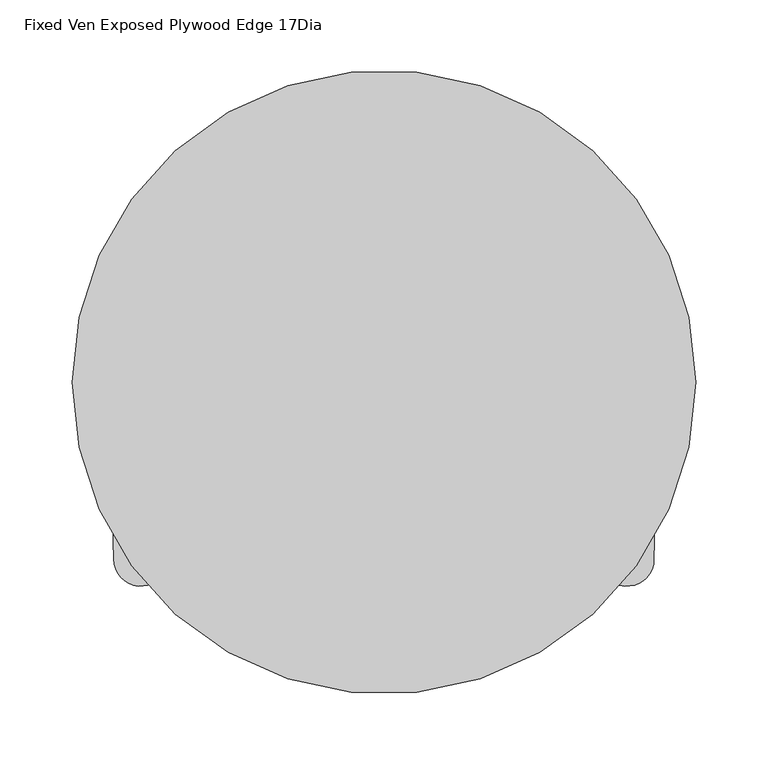
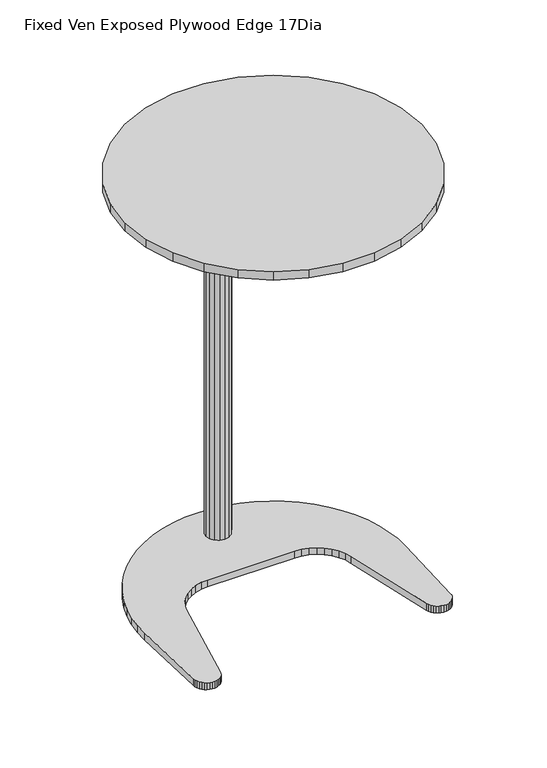
"""IFC4 building model written with IfcOpenShell, lengths in millimetres: furniture geometry, Fixed Ven Exposed Plywood Edge 17Dia."""

from ifc_helpers import new_model, si_unit, frame, origin, origin_with_axes, place, context, project, spatial, polyline, outline, extrude, source, transform, mapped, element, save


def fixed_ven_exposed_plywood_edge_17dia_f3066165(model_context):
    return source(origin(), model_context, "Body", "SweptSolid", [
        extrude(outline(polyline([(-149.8671059, -126.3234939), (-150.8992195, -129.521818), (-152.5209955, -132.5392664), (-154.6897222, -135.2420538), (-157.3189766, -137.5155615), (-160.2753551, -139.246179), (-163.4498161, -140.409362), (-166.7207647, -140.9483825), (-170.080298, -140.9617084), (-173.5167343, -140.3426509), (-176.7647555, -139.0607161), (-179.6814743, -137.2641415), (-181.992404, -135.2772922), (-184.3368587, -132.2226251), (-185.9202832, -129.1283645), (-186.8986028, -125.8453436), (-187.2867514, -122.3765601), (-190.3496821, -4.6115352), (-189.8901898, 14.2613479), (-187.6979683, 32.4082451), (-183.1783539, 52.2501283), (-177.4118091, 69.5357992), (-169.6089787, 86.8772552), (-160.1246012, 103.3056947), (-149.0664825, 118.7166454), (-136.508946, 132.9782204), (-122.3697018, 145.7873949), (-107.4059713, 157.4405354), (-91.2014099, 167.3806626), (-74.0827101, 175.6340469), (-56.2270821, 182.1176083), (-37.81398, 186.8126342), (-18.988084, 189.6780662), (0.5119749, 190.5716342), (18.9299367, 189.6762857), (37.7224772, 186.822808), (56.1368215, 182.13276), (73.9687227, 175.6445841), (91.0169372, 167.1567301), (107.071217, 157.3533859), (122.2800452, 145.7296223), (136.3462106, 133.1030038), (148.9690048, 118.821926), (160.0604881, 103.3756123), (169.5508245, 86.9104836), (177.3532916, 69.5815858), (183.3901324, 51.5615284), (187.3279371, 33.1228556), (189.7813847, 14.3179873), (190.1318357, -4.8405436), (186.9182237, -122.5865945), (186.8453009, -125.9547794), (185.7964535, -129.3312591), (184.1832889, -132.3981867), (181.7765516, -135.4621215), (179.6549861, -137.3634814), (176.7145951, -139.164398), (173.4871576, -140.4107336), (170.1668479, -140.9493999), (166.6754186, -140.9974529), (162.872691, -140.2900424), (160.0711524, -139.2664902), (157.1517448, -137.5070955), (154.558898, -135.2497659), (152.3797887, -132.5480595), (150.7550877, -129.506748), (149.7653225, -126.204951), (119.3579737, 11.0523876), (116.438373, 20.4984581), (112.0049093, 29.1621735), (106.2797683, 36.8046916), (99.3454259, 43.4445003), (91.2042077, 48.9570953), (82.3097106, 52.9223511), (72.9862836, 55.3198337), (63.1846426, 56.1296317), (-63.6836492, 56.1185223), (-72.6995166, 55.3368781), (-82.9570079, 52.6617072), (-91.2204949, 48.9240804), (-99.203783, 43.591221), (-106.3477874, 36.8361282), (-112.1441723, 29.0107065), (-116.5027907, 20.4271847), (-119.3365658, 11.2560001), (-149.8671059, -126.3234939)])), origin_with_axes(), (0.0, 0.0, 1.0), 10.4266312),
        extrude(outline(polyline([(-144.4791081, 160.4603002), (-107.9603161, 186.9927468), (-66.7231439, 205.3527271), (-22.5698524, 214.7378011), (22.5698524, 214.7378011), (66.7231439, 205.3527271), (107.9603161, 186.9927468), (144.4791081, 160.4603002), (174.6834691, 126.914964), (197.2533123, 87.8228371), (211.2022429, 44.8924224), (215.9206322, 0.0), (211.2022429, -44.8924224), (197.2533123, -87.8228371), (174.6834691, -126.914964), (144.4791081, -160.4603002), (107.9603161, -186.9927468), (66.7231439, -205.3527271), (22.5698524, -214.7378011), (-22.5698524, -214.7378011), (-66.7231439, -205.3527271), (-107.9603161, -186.9927468), (-144.4791081, -160.4603002), (-174.6834691, -126.914964), (-197.2533123, -87.8228371), (-211.2022429, -44.8924224), (-215.9206322, 0.0), (-211.2022429, 44.8924224), (-197.2533123, 87.8228371), (-174.6834691, 126.914964), (-144.4791081, 160.4603002)])), frame((0.0, 0.0, 634.9999624), z_axis=(0.0, 0.0, 1.0), x_axis=(1.0, 0.0, 0.0)), (0.0, 0.0, 1.0), 12.7000242),
        extrude(outline(polyline([(-6.6861528, 156.0789361), (0.0206552, 157.4129934), (6.7274628, 156.0789361), (12.4132196, 152.2798311), (16.2123212, 146.5940681), (17.5463888, 139.8872645), (16.2123212, 133.1804518), (12.4132196, 127.4946979), (6.7274628, 123.6955929), (0.0206552, 122.3615265), (-6.6861528, 123.6955929), (-12.3719102, 127.4946979), (-16.1710117, 133.1804518), (-17.5050782, 139.8872645), (-16.1710117, 146.5940681), (-12.3719102, 152.2798311), (-6.6861528, 156.0789361)])), frame((0.0, 0.0, 10.4266312), z_axis=(0.0, 0.0, 1.0), x_axis=(1.0, 0.0, 0.0)), (0.0, 0.0, 1.0), 619.8111219),
        extrude(outline(polyline([(-52.3319574, 170.5642074), (-27.5223004, 183.2053508), (-0.0205852, 187.5611896), (27.4811305, 183.2053508), (52.2907853, 170.5642074), (71.9798406, 150.8751476), (84.6209976, 126.0654882), (88.9768364, 98.5637694), (84.6209976, 71.0620551), (71.9798406, 46.2524003), (52.2907853, 26.563345), (27.4811305, 13.9221937), (-0.0205852, 9.5663492), (-27.5223004, 13.9221937), (-52.3319574, 26.563345), (-72.0210127, 46.2524003), (-84.6621652, 71.0620551), (-89.0180039, 98.5637694), (-84.6621652, 126.0654882), (-72.0210127, 150.8751476), (-52.3319574, 170.5642074)])), frame((0.0, 0.0, 630.2377531), z_axis=(0.0, 0.0, 1.0), x_axis=(1.0, 0.0, 0.0)), (0.0, 0.0, 1.0), 4.7622093),
    ])


if __name__ == "__main__":
    model = new_model("IFC4")
    model_context = context("Model", 3, world=origin())
    ifc_project = project(units=[si_unit("LENGTHUNIT", "METRE", prefix="MILLI")], contexts=[model_context])
    site = spatial("IfcSite", under=ifc_project)
    building = spatial("IfcBuilding", under=site)
    placement = place(None, origin())
    fixed_ven_exposed_plywood_edge_17dia_shape = fixed_ven_exposed_plywood_edge_17dia_f3066165(model_context)
    element("IfcFurniture", 1, ObjectType="Fixed Ven Exposed Plywood Edge 17Dia", at=placement, inside=building, context=model_context, shape_type="MappedRepresentation", body=[
        mapped(fixed_ven_exposed_plywood_edge_17dia_shape, transform((0.0, 0.0, 0.0), x_axis=(1.0, 0.0, 0.0), y_axis=(0.0, 1.0, 0.0), z_axis=(0.0, 0.0, 1.0))),
    ])
    save(model, "model.ifc")
